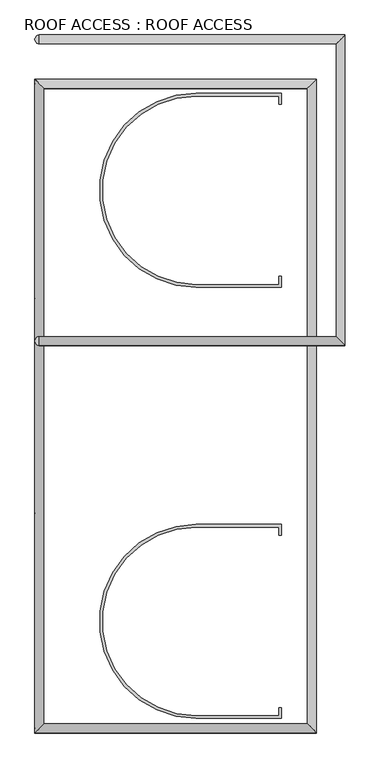
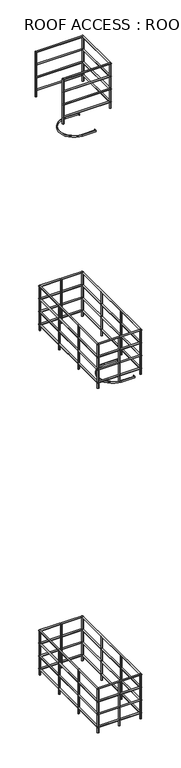
"""IFC4 building model written with IfcOpenShell, lengths in millimetres: proxy geometry, ROOF ACCESS : ROOF ACCESS."""

from ifc_helpers import new_model, si_unit, point, frame, frame_2d, origin, place, context, project, spatial, polyline, circle_curve, ellipse_curve, trimmed, segment, composite_curve, outline, extrude, source, transform, mapped, element, save
from ifc_brep_helpers import plane_surface, cylinder_surface, advanced_brep


def roof_access_roof_access_fe6596d5(model_context):
    return source(origin(), model_context, "Body", "SolidModel", [
        extrude(outline(composite_curve([segment(polyline([(254461.9207747, 259996.8980843), (254452.3957747, 259996.8980843), (254452.3957747, 260025.4730843), (254160.2957747, 260025.4730843)]), True, "CONTINUOUS"), segment(trimmed(circle_curve(frame_2d((254160.2957747, 259692.0980843)), 333.375), [point((254160.2957747, 260025.4730843))], [point((254160.2957747, 259358.7230843))], True, "CARTESIAN"), True, "CONTINUOUS"), segment(polyline([(254160.2957747, 259358.7230843), (254452.3957747, 259358.7230843), (254452.3957747, 259387.2980843), (254461.9207747, 259387.2980843), (254461.9207747, 259349.1980843), (254160.2957747, 259349.1980843)]), True, "CONTINUOUS"), segment(trimmed(circle_curve(frame_2d((254160.2957747, 259692.0980843)), 342.9), [point((254160.2957747, 259349.1980843))], [point((254160.2957747, 260034.9980843))], False, "CARTESIAN"), True, "CONTINUOUS"), segment(polyline([(254160.2957747, 260034.9980843), (254461.9207747, 260034.9980843), (254461.9207747, 259996.8980843)]), True, "CONTINUOUS")], self_intersect=False)), frame((0.0, 0.0, 24206.2), z_axis=(0.0, 0.0, 1.0), x_axis=(1.0, 0.0, 0.0)), (0.0, 0.0, 1.0), 38.1),
        extrude(outline(composite_curve([segment(polyline([(254461.9207747, 258472.8980843), (254452.3957747, 258472.8980843), (254452.3957747, 258501.4730843), (254160.2957747, 258501.4730843)]), True, "CONTINUOUS"), segment(trimmed(circle_curve(frame_2d((254160.2957747, 258168.0980843)), 333.375), [point((254160.2957747, 258501.4730843))], [point((254160.2957747, 257834.7230843))], True, "CARTESIAN"), True, "CONTINUOUS"), segment(polyline([(254160.2957747, 257834.7230843), (254452.3957747, 257834.7230843), (254452.3957747, 257863.2980843), (254461.9207747, 257863.2980843), (254461.9207747, 257825.1980843), (254160.2957747, 257825.1980843)]), True, "CONTINUOUS"), segment(trimmed(circle_curve(frame_2d((254160.2957747, 258168.0980843)), 342.9), [point((254160.2957747, 257825.1980843))], [point((254160.2957747, 258510.9980843))], False, "CARTESIAN"), True, "CONTINUOUS"), segment(polyline([(254160.2957747, 258510.9980843), (254461.9207747, 258510.9980843), (254461.9207747, 258472.8980843)]), True, "CONTINUOUS")], self_intersect=False)), frame((0.0, 0.0, 19253.2), z_axis=(0.0, 0.0, 1.0), x_axis=(1.0, 0.0, 0.0)), (0.0, 0.0, 1.0), 38.1),
        advanced_brep(
        [(253604.6707747, 259142.8230843, 24968.2), (253604.6707747, 259174.5730843, 24968.2), (254655.5957747, 260209.6230843, 24968.2), (254687.3457747, 260241.3730843, 24968.2), (253604.6707747, 260241.3730843, 24968.2), (253604.6707747, 260209.6230843, 24968.2), (254687.3457747, 259142.8230843, 24968.2), (254655.5957747, 259174.5730843, 24968.2)],
        [
            (0, 1, circle_curve(frame((253604.6707747, 259158.6980843, 24968.2), z_axis=(-1.0, 0.0, 0.0), x_axis=(0.0, 1.0, 0.0)), 15.875)),
            (1, 0, circle_curve(frame((253604.6707747, 259158.6980843, 24968.2), z_axis=(-1.0, 0.0, 0.0), x_axis=(0.0, 1.0, 0.0)), 15.875)),
            (2, 3, ellipse_curve(frame((254671.4707747, 260225.4980843, 24968.2), z_axis=(-0.7071067811865475, 0.7071067811865475, 0.0), x_axis=(0.7071067811865476, 0.7071067811865474, 0.0)), 22.4506403, 15.875)),
            (3, 4),
            (4, 5, circle_curve(frame((253604.6707747, 260225.4980843, 24968.2), z_axis=(1.0, 0.0, 0.0), x_axis=(0.0, -1.0, 0.0)), 15.875)),
            (5, 2),
            (3, 2, ellipse_curve(frame((254671.4707747, 260225.4980843, 24968.2), z_axis=(-0.7071067811865475, 0.7071067811865475, 0.0), x_axis=(0.7071067811865476, 0.7071067811865474, 0.0)), 22.4506403, 15.875)),
            (5, 4, circle_curve(frame((253604.6707747, 260225.4980843, 24968.2), z_axis=(1.0, 0.0, 0.0), x_axis=(0.0, -1.0, 0.0)), 15.875)),
            (0, 6),
            (6, 7, ellipse_curve(frame((254671.4707747, 259158.6980843, 24968.2), z_axis=(-0.7071067811865475, -0.7071067811865475, 0.0), x_axis=(-0.7071067811865476, 0.7071067811865474, 0.0)), 22.4506403, 15.875)),
            (7, 1),
            (7, 6, ellipse_curve(frame((254671.4707747, 259158.6980843, 24968.2), z_axis=(-0.7071067811865475, -0.7071067811865475, 0.0), x_axis=(-0.7071067811865476, 0.7071067811865474, 0.0)), 22.4506403, 15.875)),
            (6, 3),
            (2, 7),
        ],
        [
            plane_surface(frame((253604.6707747, 259158.6980843, 23917.275), z_axis=(-1.0, 0.0, 0.0), x_axis=(0.0, 0.0, 1.0))),
            cylinder_surface(frame((254671.4707747, 260225.4980843, 24968.2), z_axis=(1.0, 0.0, 0.0), x_axis=(0.0, -1.0, 0.0)), 15.875),
            plane_surface(frame((253604.6707747, 260225.4980843, 23917.275), z_axis=(-1.0, 0.0, 0.0), x_axis=(0.0, 0.0, 1.0))),
            cylinder_surface(frame((253604.6707747, 259158.6980843, 24968.2), z_axis=(-1.0, 0.0, 0.0), x_axis=(0.0, 1.0, 0.0)), 15.875),
            cylinder_surface(frame((254671.4707747, 259158.6980843, 24968.2), z_axis=(0.0, -1.0, 0.0), x_axis=(-1.0, 0.0, 0.0)), 15.875),
        ],
        [
            (0, [[1, 2]]),
            (1, [[3, 4, 5, 6]]),
            (1, [[7, -6, 8, -4]]),
            (2, [[-8, -5]]),
            (3, [[-1, 9, 10, 11]]),
            (3, [[-2, -11, 12, -9]]),
            (4, [[-10, 13, -3, 14]]),
            (4, [[-12, -14, -7, -13]]),
        ],
    ),
        advanced_brep(
        [(253604.6707747, 259142.8230843, 25273.0), (253604.6707747, 259174.5730843, 25273.0), (254655.5957747, 260209.6230843, 25273.0), (254687.3457747, 260241.3730843, 25273.0), (253604.6707747, 260241.3730843, 25273.0), (253604.6707747, 260209.6230843, 25273.0), (254687.3457747, 259142.8230843, 25273.0), (254655.5957747, 259174.5730843, 25273.0)],
        [
            (0, 1, circle_curve(frame((253604.6707747, 259158.6980843, 25273.0), z_axis=(-1.0, 0.0, 0.0), x_axis=(0.0, 1.0, 0.0)), 15.875)),
            (1, 0, circle_curve(frame((253604.6707747, 259158.6980843, 25273.0), z_axis=(-1.0, 0.0, 0.0), x_axis=(0.0, 1.0, 0.0)), 15.875)),
            (2, 3, ellipse_curve(frame((254671.4707747, 260225.4980843, 25273.0), z_axis=(-0.7071067811865475, 0.7071067811865475, 0.0), x_axis=(0.7071067811865476, 0.7071067811865474, 0.0)), 22.4506403, 15.875)),
            (3, 4),
            (4, 5, circle_curve(frame((253604.6707747, 260225.4980843, 25273.0), z_axis=(1.0, 0.0, 0.0), x_axis=(0.0, -1.0, 0.0)), 15.875)),
            (5, 2),
            (3, 2, ellipse_curve(frame((254671.4707747, 260225.4980843, 25273.0), z_axis=(-0.7071067811865475, 0.7071067811865475, 0.0), x_axis=(0.7071067811865476, 0.7071067811865474, 0.0)), 22.4506403, 15.875)),
            (5, 4, circle_curve(frame((253604.6707747, 260225.4980843, 25273.0), z_axis=(1.0, 0.0, 0.0), x_axis=(0.0, -1.0, 0.0)), 15.875)),
            (0, 6),
            (6, 7, ellipse_curve(frame((254671.4707747, 259158.6980843, 25273.0), z_axis=(-0.7071067811865475, -0.7071067811865475, 0.0), x_axis=(-0.7071067811865476, 0.7071067811865474, 0.0)), 22.4506403, 15.875)),
            (7, 1),
            (7, 6, ellipse_curve(frame((254671.4707747, 259158.6980843, 25273.0), z_axis=(-0.7071067811865475, -0.7071067811865475, 0.0), x_axis=(-0.7071067811865476, 0.7071067811865474, 0.0)), 22.4506403, 15.875)),
            (6, 3),
            (2, 7),
        ],
        [
            plane_surface(frame((253604.6707747, 259158.6980843, 24222.075), z_axis=(-1.0, 0.0, 0.0), x_axis=(0.0, 0.0, 1.0))),
            cylinder_surface(frame((254671.4707747, 260225.4980843, 25273.0), z_axis=(1.0, 0.0, 0.0), x_axis=(0.0, -1.0, 0.0)), 15.875),
            plane_surface(frame((253604.6707747, 260225.4980843, 24222.075), z_axis=(-1.0, 0.0, 0.0), x_axis=(0.0, 0.0, 1.0))),
            cylinder_surface(frame((253604.6707747, 259158.6980843, 25273.0), z_axis=(-1.0, 0.0, 0.0), x_axis=(0.0, 1.0, 0.0)), 15.875),
            cylinder_surface(frame((254671.4707747, 259158.6980843, 25273.0), z_axis=(0.0, -1.0, 0.0), x_axis=(-1.0, 0.0, 0.0)), 15.875),
        ],
        [
            (0, [[1, 2]]),
            (1, [[3, 4, 5, 6]]),
            (1, [[7, -6, 8, -4]]),
            (2, [[-8, -5]]),
            (3, [[-1, 9, 10, 11]]),
            (3, [[-2, -11, 12, -9]]),
            (4, [[-10, 13, -3, 14]]),
            (4, [[-12, -14, -7, -13]]),
        ],
    ),
        advanced_brep(
        [(253604.6707747, 259142.8230843, 25882.6), (253604.6707747, 259174.5730843, 25882.6), (254655.5957747, 260209.6230843, 25882.6), (254687.3457747, 260241.3730843, 25882.6), (253604.6707747, 260241.3730843, 25882.6), (253604.6707747, 260209.6230843, 25882.6), (254687.3457747, 259142.8230843, 25882.6), (254655.5957747, 259174.5730843, 25882.6)],
        [
            (0, 1, circle_curve(frame((253604.6707747, 259158.6980843, 25882.6), z_axis=(-1.0, 0.0, 0.0), x_axis=(0.0, 1.0, 0.0)), 15.875)),
            (1, 0, circle_curve(frame((253604.6707747, 259158.6980843, 25882.6), z_axis=(-1.0, 0.0, 0.0), x_axis=(0.0, 1.0, 0.0)), 15.875)),
            (2, 3, ellipse_curve(frame((254671.4707747, 260225.4980843, 25882.6), z_axis=(-0.7071067811865475, 0.7071067811865475, 0.0), x_axis=(0.7071067811865476, 0.7071067811865474, 0.0)), 22.4506403, 15.875)),
            (3, 4),
            (4, 5, circle_curve(frame((253604.6707747, 260225.4980843, 25882.6), z_axis=(1.0, 0.0, 0.0), x_axis=(0.0, -1.0, 0.0)), 15.875)),
            (5, 2),
            (3, 2, ellipse_curve(frame((254671.4707747, 260225.4980843, 25882.6), z_axis=(-0.7071067811865475, 0.7071067811865475, 0.0), x_axis=(0.7071067811865476, 0.7071067811865474, 0.0)), 22.4506403, 15.875)),
            (5, 4, circle_curve(frame((253604.6707747, 260225.4980843, 25882.6), z_axis=(1.0, 0.0, 0.0), x_axis=(0.0, -1.0, 0.0)), 15.875)),
            (0, 6),
            (6, 7, ellipse_curve(frame((254671.4707747, 259158.6980843, 25882.6), z_axis=(-0.7071067811865475, -0.7071067811865475, 0.0), x_axis=(-0.7071067811865476, 0.7071067811865474, 0.0)), 22.4506403, 15.875)),
            (7, 1),
            (7, 6, ellipse_curve(frame((254671.4707747, 259158.6980843, 25882.6), z_axis=(-0.7071067811865475, -0.7071067811865475, 0.0), x_axis=(-0.7071067811865476, 0.7071067811865474, 0.0)), 22.4506403, 15.875)),
            (6, 3),
            (2, 7),
        ],
        [
            plane_surface(frame((253604.6707747, 259158.6980843, 24831.675), z_axis=(-1.0, 0.0, 0.0), x_axis=(0.0, 0.0, 1.0))),
            cylinder_surface(frame((254671.4707747, 260225.4980843, 25882.6), z_axis=(1.0, 0.0, 0.0), x_axis=(0.0, -1.0, 0.0)), 15.875),
            plane_surface(frame((253604.6707747, 260225.4980843, 24831.675), z_axis=(-1.0, 0.0, 0.0), x_axis=(0.0, 0.0, 1.0))),
            cylinder_surface(frame((253604.6707747, 259158.6980843, 25882.6), z_axis=(-1.0, 0.0, 0.0), x_axis=(0.0, 1.0, 0.0)), 15.875),
            cylinder_surface(frame((254671.4707747, 259158.6980843, 25882.6), z_axis=(0.0, -1.0, 0.0), x_axis=(-1.0, 0.0, 0.0)), 15.875),
        ],
        [
            (0, [[1, 2]]),
            (1, [[3, 4, 5, 6]]),
            (1, [[7, -6, 8, -4]]),
            (2, [[-8, -5]]),
            (3, [[-1, 9, 10, 11]]),
            (3, [[-2, -11, 12, -9]]),
            (4, [[-10, 13, -3, 14]]),
            (4, [[-12, -14, -7, -13]]),
        ],
    ),
        advanced_brep(
        [(253604.6707747, 259142.8230843, 25577.8), (253604.6707747, 259174.5730843, 25577.8), (254655.5957747, 260209.6230843, 25577.8), (254687.3457747, 260241.3730843, 25577.8), (253604.6707747, 260241.3730843, 25577.8), (253604.6707747, 260209.6230843, 25577.8), (254687.3457747, 259142.8230843, 25577.8), (254655.5957747, 259174.5730843, 25577.8)],
        [
            (0, 1, circle_curve(frame((253604.6707747, 259158.6980843, 25577.8), z_axis=(-1.0, 0.0, 0.0), x_axis=(0.0, 1.0, 0.0)), 15.875)),
            (1, 0, circle_curve(frame((253604.6707747, 259158.6980843, 25577.8), z_axis=(-1.0, 0.0, 0.0), x_axis=(0.0, 1.0, 0.0)), 15.875)),
            (2, 3, ellipse_curve(frame((254671.4707747, 260225.4980843, 25577.8), z_axis=(-0.7071067811865475, 0.7071067811865475, 0.0), x_axis=(0.7071067811865476, 0.7071067811865474, 0.0)), 22.4506403, 15.875)),
            (3, 4),
            (4, 5, circle_curve(frame((253604.6707747, 260225.4980843, 25577.8), z_axis=(1.0, 0.0, 0.0), x_axis=(0.0, -1.0, 0.0)), 15.875)),
            (5, 2),
            (3, 2, ellipse_curve(frame((254671.4707747, 260225.4980843, 25577.8), z_axis=(-0.7071067811865475, 0.7071067811865475, 0.0), x_axis=(0.7071067811865476, 0.7071067811865474, 0.0)), 22.4506403, 15.875)),
            (5, 4, circle_curve(frame((253604.6707747, 260225.4980843, 25577.8), z_axis=(1.0, 0.0, 0.0), x_axis=(0.0, -1.0, 0.0)), 15.875)),
            (0, 6),
            (6, 7, ellipse_curve(frame((254671.4707747, 259158.6980843, 25577.8), z_axis=(-0.7071067811865475, -0.7071067811865475, 0.0), x_axis=(-0.7071067811865476, 0.7071067811865474, 0.0)), 22.4506403, 15.875)),
            (7, 1),
            (7, 6, ellipse_curve(frame((254671.4707747, 259158.6980843, 25577.8), z_axis=(-0.7071067811865475, -0.7071067811865475, 0.0), x_axis=(-0.7071067811865476, 0.7071067811865474, 0.0)), 22.4506403, 15.875)),
            (6, 3),
            (2, 7),
        ],
        [
            plane_surface(frame((253604.6707747, 259158.6980843, 24526.875), z_axis=(-1.0, 0.0, 0.0), x_axis=(0.0, 0.0, 1.0))),
            cylinder_surface(frame((254671.4707747, 260225.4980843, 25577.8), z_axis=(1.0, 0.0, 0.0), x_axis=(0.0, -1.0, 0.0)), 15.875),
            plane_surface(frame((253604.6707747, 260225.4980843, 24526.875), z_axis=(-1.0, 0.0, 0.0), x_axis=(0.0, 0.0, 1.0))),
            cylinder_surface(frame((253604.6707747, 259158.6980843, 25577.8), z_axis=(-1.0, 0.0, 0.0), x_axis=(0.0, 1.0, 0.0)), 15.875),
            cylinder_surface(frame((254671.4707747, 259158.6980843, 25577.8), z_axis=(0.0, -1.0, 0.0), x_axis=(-1.0, 0.0, 0.0)), 15.875),
        ],
        [
            (0, [[1, 2]]),
            (1, [[3, 4, 5, 6]]),
            (1, [[7, -6, 8, -4]]),
            (2, [[-8, -5]]),
            (3, [[-1, 9, 10, 11]]),
            (3, [[-2, -11, 12, -9]]),
            (4, [[-10, 13, -3, 14]]),
            (4, [[-12, -14, -7, -13]]),
        ],
    ),
        extrude(outline(composite_curve([segment(trimmed(circle_curve(frame_2d((253604.6707747, 260225.4980843)), 15.875), [point((253604.6707747, 260209.6230843))], [point((253604.6707747, 260241.3730843))], False, "CARTESIAN"), True, "CONTINUOUS"), segment(trimmed(circle_curve(frame_2d((253604.6707747, 260225.4980843)), 15.875), [point((253604.6707747, 260241.3730843))], [point((253604.6707747, 260209.6230843))], False, "CARTESIAN"), True, "CONTINUOUS")], self_intersect=False)), frame((0.0, 0.0, 24815.8), z_axis=(0.0, 0.0, 1.0), x_axis=(1.0, 0.0, 0.0)), (0.0, 0.0, 1.0), 1066.8),
        extrude(outline(composite_curve([segment(trimmed(circle_curve(frame_2d((253604.6707747, 259158.6980843)), 15.875), [point((253604.6707747, 259174.5730843))], [point((253604.6707747, 259142.8230843))], False, "CARTESIAN"), True, "CONTINUOUS"), segment(trimmed(circle_curve(frame_2d((253604.6707747, 259158.6980843)), 15.875), [point((253604.6707747, 259142.8230843))], [point((253604.6707747, 259174.5730843))], False, "CARTESIAN"), True, "CONTINUOUS")], self_intersect=False)), frame((0.0, 0.0, 24815.8), z_axis=(0.0, 0.0, 1.0), x_axis=(1.0, 0.0, 0.0)), (0.0, 0.0, 1.0), 1066.8),
        extrude(outline(composite_curve([segment(trimmed(circle_curve(frame_2d((254671.4707747, 260225.4980843)), 15.875), [point((254671.4707747, 260209.6230843))], [point((254671.4707747, 260241.3730843))], False, "CARTESIAN"), True, "CONTINUOUS"), segment(trimmed(circle_curve(frame_2d((254671.4707747, 260225.4980843)), 15.875), [point((254671.4707747, 260241.3730843))], [point((254671.4707747, 260209.6230843))], False, "CARTESIAN"), True, "CONTINUOUS")], self_intersect=False)), frame((0.0, 0.0, 24815.8), z_axis=(0.0, 0.0, 1.0), x_axis=(1.0, 0.0, 0.0)), (0.0, 0.0, 1.0), 1066.8),
        extrude(outline(composite_curve([segment(trimmed(circle_curve(frame_2d((254671.4707747, 259158.6980843)), 15.875), [point((254671.4707747, 259174.5730843))], [point((254671.4707747, 259142.8230843))], False, "CARTESIAN"), True, "CONTINUOUS"), segment(trimmed(circle_curve(frame_2d((254671.4707747, 259158.6980843)), 15.875), [point((254671.4707747, 259142.8230843))], [point((254671.4707747, 259174.5730843))], False, "CARTESIAN"), True, "CONTINUOUS")], self_intersect=False)), frame((0.0, 0.0, 24815.8), z_axis=(0.0, 0.0, 1.0), x_axis=(1.0, 0.0, 0.0)), (0.0, 0.0, 1.0), 1066.8),
        extrude(outline(composite_curve([segment(trimmed(circle_curve(frame_2d((253604.6707747, 260069.9230843)), 15.875), [point((253604.6707747, 260054.0480843))], [point((253604.6707747, 260085.7980843))], False, "CARTESIAN"), True, "CONTINUOUS"), segment(trimmed(circle_curve(frame_2d((253604.6707747, 260069.9230843)), 15.875), [point((253604.6707747, 260085.7980843))], [point((253604.6707747, 260054.0480843))], False, "CARTESIAN"), True, "CONTINUOUS")], self_intersect=False)), frame((0.0, 0.0, 19329.4), z_axis=(0.0, 0.0, 1.0), x_axis=(1.0, 0.0, 0.0)), (0.0, 0.0, 1.0), 1050.925),
        extrude(outline(composite_curve([segment(trimmed(circle_curve(frame_2d((254569.8707747, 260069.9230843)), 15.875), [point((254569.8707747, 260054.0480843))], [point((254569.8707747, 260085.7980843))], False, "CARTESIAN"), True, "CONTINUOUS"), segment(trimmed(circle_curve(frame_2d((254569.8707747, 260069.9230843)), 15.875), [point((254569.8707747, 260085.7980843))], [point((254569.8707747, 260054.0480843))], False, "CARTESIAN"), True, "CONTINUOUS")], self_intersect=False)), frame((0.0, 0.0, 19329.4), z_axis=(0.0, 0.0, 1.0), x_axis=(1.0, 0.0, 0.0)), (0.0, 0.0, 1.0), 1050.925),
        extrude(outline(composite_curve([segment(trimmed(circle_curve(frame_2d((254087.2707747, 260069.9230843)), 15.875), [point((254087.2707747, 260054.0480843))], [point((254087.2707747, 260085.7980843))], False, "CARTESIAN"), True, "CONTINUOUS"), segment(trimmed(circle_curve(frame_2d((254087.2707747, 260069.9230843)), 15.875), [point((254087.2707747, 260085.7980843))], [point((254087.2707747, 260054.0480843))], False, "CARTESIAN"), True, "CONTINUOUS")], self_intersect=False)), frame((0.0, 0.0, 19329.4), z_axis=(0.0, 0.0, 1.0), x_axis=(1.0, 0.0, 0.0)), (0.0, 0.0, 1.0), 1050.925),
        extrude(outline(composite_curve([segment(trimmed(circle_curve(frame_2d((253604.6707747, 257790.2730843)), 15.875), [point((253604.6707747, 257806.1480843))], [point((253604.6707747, 257774.3980843))], False, "CARTESIAN"), True, "CONTINUOUS"), segment(trimmed(circle_curve(frame_2d((253604.6707747, 257790.2730843)), 15.875), [point((253604.6707747, 257774.3980843))], [point((253604.6707747, 257806.1480843))], False, "CARTESIAN"), True, "CONTINUOUS")], self_intersect=False)), frame((0.0, 0.0, 19329.4), z_axis=(0.0, 0.0, 1.0), x_axis=(1.0, 0.0, 0.0)), (0.0, 0.0, 1.0), 1050.925),
        extrude(outline(composite_curve([segment(trimmed(circle_curve(frame_2d((254569.8707747, 257790.2730843)), 15.875), [point((254569.8707747, 257806.1480843))], [point((254569.8707747, 257774.3980843))], False, "CARTESIAN"), True, "CONTINUOUS"), segment(trimmed(circle_curve(frame_2d((254569.8707747, 257790.2730843)), 15.875), [point((254569.8707747, 257774.3980843))], [point((254569.8707747, 257806.1480843))], False, "CARTESIAN"), True, "CONTINUOUS")], self_intersect=False)), frame((0.0, 0.0, 19329.4), z_axis=(0.0, 0.0, 1.0), x_axis=(1.0, 0.0, 0.0)), (0.0, 0.0, 1.0), 1050.925),
        extrude(outline(composite_curve([segment(trimmed(circle_curve(frame_2d((254087.2707747, 257790.2730843)), 15.875), [point((254087.2707747, 257806.1480843))], [point((254087.2707747, 257774.3980843))], False, "CARTESIAN"), True, "CONTINUOUS"), segment(trimmed(circle_curve(frame_2d((254087.2707747, 257790.2730843)), 15.875), [point((254087.2707747, 257774.3980843))], [point((254087.2707747, 257806.1480843))], False, "CARTESIAN"), True, "CONTINUOUS")], self_intersect=False)), frame((0.0, 0.0, 19329.4), z_axis=(0.0, 0.0, 1.0), x_axis=(1.0, 0.0, 0.0)), (0.0, 0.0, 1.0), 1050.925),
        extrude(outline(composite_curve([segment(trimmed(circle_curve(frame_2d((253604.6707747, 258550.1564177)), 15.875), [point((253604.6707747, 258534.2814177))], [point((253604.6707747, 258566.0314177))], False, "CARTESIAN"), True, "CONTINUOUS"), segment(trimmed(circle_curve(frame_2d((253604.6707747, 258550.1564177)), 15.875), [point((253604.6707747, 258566.0314177))], [point((253604.6707747, 258534.2814177))], False, "CARTESIAN"), True, "CONTINUOUS")], self_intersect=False)), frame((0.0, 0.0, 19329.4), z_axis=(0.0, 0.0, 1.0), x_axis=(1.0, 0.0, 0.0)), (0.0, 0.0, 1.0), 1050.925),
        extrude(outline(composite_curve([segment(trimmed(circle_curve(frame_2d((253604.6707747, 259310.039751)), 15.875), [point((253604.6707747, 259294.164751))], [point((253604.6707747, 259325.914751))], False, "CARTESIAN"), True, "CONTINUOUS"), segment(trimmed(circle_curve(frame_2d((253604.6707747, 259310.039751)), 15.875), [point((253604.6707747, 259325.914751))], [point((253604.6707747, 259294.164751))], False, "CARTESIAN"), True, "CONTINUOUS")], self_intersect=False)), frame((0.0, 0.0, 19329.4), z_axis=(0.0, 0.0, 1.0), x_axis=(1.0, 0.0, 0.0)), (0.0, 0.0, 1.0), 1050.925),
        extrude(outline(composite_curve([segment(trimmed(circle_curve(frame_2d((254569.8707747, 258550.1564177)), 15.875), [point((254569.8707747, 258534.2814177))], [point((254569.8707747, 258566.0314177))], False, "CARTESIAN"), True, "CONTINUOUS"), segment(trimmed(circle_curve(frame_2d((254569.8707747, 258550.1564177)), 15.875), [point((254569.8707747, 258566.0314177))], [point((254569.8707747, 258534.2814177))], False, "CARTESIAN"), True, "CONTINUOUS")], self_intersect=False)), frame((0.0, 0.0, 19329.4), z_axis=(0.0, 0.0, 1.0), x_axis=(1.0, 0.0, 0.0)), (0.0, 0.0, 1.0), 1050.925),
        extrude(outline(composite_curve([segment(trimmed(circle_curve(frame_2d((254569.8707747, 259310.039751)), 15.875), [point((254569.8707747, 259294.164751))], [point((254569.8707747, 259325.914751))], False, "CARTESIAN"), True, "CONTINUOUS"), segment(trimmed(circle_curve(frame_2d((254569.8707747, 259310.039751)), 15.875), [point((254569.8707747, 259325.914751))], [point((254569.8707747, 259294.164751))], False, "CARTESIAN"), True, "CONTINUOUS")], self_intersect=False)), frame((0.0, 0.0, 19329.4), z_axis=(0.0, 0.0, 1.0), x_axis=(1.0, 0.0, 0.0)), (0.0, 0.0, 1.0), 1050.925),
        advanced_brep(
        [(254553.9957747, 260054.0480843, 20380.325), (254585.7457747, 260085.7980843, 20380.325), (253588.7957747, 260085.7980843, 20380.325), (253620.5457747, 260054.0480843, 20380.325), (253588.7957747, 257774.3980843, 20380.325), (253620.5457747, 257806.1480843, 20380.325), (254585.7457747, 257774.3980843, 20380.325), (254553.9957747, 257806.1480843, 20380.325)],
        [
            (0, 1, ellipse_curve(frame((254569.8707747, 260069.9230843, 20380.325), z_axis=(-0.7071067811865475, 0.7071067811865475, 0.0), x_axis=(0.7071067811865476, 0.7071067811865474, 0.0)), 22.4506403, 15.875)),
            (1, 2),
            (2, 3, ellipse_curve(frame((253604.6707747, 260069.9230843, 20380.325), z_axis=(0.7071067811865475, 0.7071067811865475, 0.0), x_axis=(0.7071067811865476, -0.7071067811865474, 0.0)), 22.4506403, 15.875)),
            (3, 0),
            (1, 0, ellipse_curve(frame((254569.8707747, 260069.9230843, 20380.325), z_axis=(-0.7071067811865475, 0.7071067811865475, 0.0), x_axis=(0.7071067811865476, 0.7071067811865474, 0.0)), 22.4506403, 15.875)),
            (3, 2, ellipse_curve(frame((253604.6707747, 260069.9230843, 20380.325), z_axis=(0.7071067811865475, 0.7071067811865475, 0.0), x_axis=(0.7071067811865476, -0.7071067811865474, 0.0)), 22.4506403, 15.875)),
            (2, 4),
            (4, 5, ellipse_curve(frame((253604.6707747, 257790.2730843, 20380.325), z_axis=(-0.7071067811865475, 0.7071067811865475, 0.0), x_axis=(0.7071067811865474, 0.7071067811865476, 0.0)), 22.4506403, 15.875)),
            (5, 3),
            (5, 4, ellipse_curve(frame((253604.6707747, 257790.2730843, 20380.325), z_axis=(-0.7071067811865475, 0.7071067811865475, 0.0), x_axis=(0.7071067811865474, 0.7071067811865476, 0.0)), 22.4506403, 15.875)),
            (4, 6),
            (6, 7, ellipse_curve(frame((254569.8707747, 257790.2730843, 20380.325), z_axis=(-0.7071067811865475, -0.7071067811865475, 0.0), x_axis=(-0.7071067811865476, 0.7071067811865474, 0.0)), 22.4506403, 15.875)),
            (7, 5),
            (7, 6, ellipse_curve(frame((254569.8707747, 257790.2730843, 20380.325), z_axis=(-0.7071067811865475, -0.7071067811865475, 0.0), x_axis=(-0.7071067811865476, 0.7071067811865474, 0.0)), 22.4506403, 15.875)),
            (6, 1),
            (0, 7),
        ],
        [
            cylinder_surface(frame((254569.8707747, 260069.9230843, 20380.325), z_axis=(1.0, 0.0, 0.0), x_axis=(0.0, -1.0, 0.0)), 15.875),
            cylinder_surface(frame((253604.6707747, 260069.9230843, 20380.325), z_axis=(0.0, 1.0, 0.0), x_axis=(1.0, 0.0, 0.0)), 15.875),
            cylinder_surface(frame((253604.6707747, 257790.2730843, 20380.325), z_axis=(-1.0, 0.0, 0.0), x_axis=(0.0, 1.0, 0.0)), 15.875),
            cylinder_surface(frame((254569.8707747, 257790.2730843, 20380.325), z_axis=(0.0, -1.0, 0.0), x_axis=(-1.0, 0.0, 0.0)), 15.875),
        ],
        [
            (0, [[1, 2, 3, 4]]),
            (0, [[5, -4, 6, -2]]),
            (1, [[-3, 7, 8, 9]]),
            (1, [[-6, -9, 10, -7]]),
            (2, [[-8, 11, 12, 13]]),
            (2, [[-10, -13, 14, -11]]),
            (3, [[-12, 15, -1, 16]]),
            (3, [[-14, -16, -5, -15]]),
        ],
    ),
        advanced_brep(
        [(254553.9957747, 260054.0480843, 20075.525), (254585.7457747, 260085.7980843, 20075.525), (253588.7957747, 260085.7980843, 20075.525), (253620.5457747, 260054.0480843, 20075.525), (253588.7957747, 257774.3980843, 20075.525), (253620.5457747, 257806.1480843, 20075.525), (254585.7457747, 257774.3980843, 20075.525), (254553.9957747, 257806.1480843, 20075.525)],
        [
            (0, 1, ellipse_curve(frame((254569.8707747, 260069.9230843, 20075.525), z_axis=(-0.7071067811865475, 0.7071067811865475, 0.0), x_axis=(0.7071067811865476, 0.7071067811865474, 0.0)), 22.4506403, 15.875)),
            (1, 2),
            (2, 3, ellipse_curve(frame((253604.6707747, 260069.9230843, 20075.525), z_axis=(0.7071067811865475, 0.7071067811865475, 0.0), x_axis=(0.7071067811865476, -0.7071067811865474, 0.0)), 22.4506403, 15.875)),
            (3, 0),
            (1, 0, ellipse_curve(frame((254569.8707747, 260069.9230843, 20075.525), z_axis=(-0.7071067811865475, 0.7071067811865475, 0.0), x_axis=(0.7071067811865476, 0.7071067811865474, 0.0)), 22.4506403, 15.875)),
            (3, 2, ellipse_curve(frame((253604.6707747, 260069.9230843, 20075.525), z_axis=(0.7071067811865475, 0.7071067811865475, 0.0), x_axis=(0.7071067811865476, -0.7071067811865474, 0.0)), 22.4506403, 15.875)),
            (2, 4),
            (4, 5, ellipse_curve(frame((253604.6707747, 257790.2730843, 20075.525), z_axis=(-0.7071067811865475, 0.7071067811865475, 0.0), x_axis=(0.7071067811865474, 0.7071067811865476, 0.0)), 22.4506403, 15.875)),
            (5, 3),
            (5, 4, ellipse_curve(frame((253604.6707747, 257790.2730843, 20075.525), z_axis=(-0.7071067811865475, 0.7071067811865475, 0.0), x_axis=(0.7071067811865474, 0.7071067811865476, 0.0)), 22.4506403, 15.875)),
            (4, 6),
            (6, 7, ellipse_curve(frame((254569.8707747, 257790.2730843, 20075.525), z_axis=(-0.7071067811865475, -0.7071067811865475, 0.0), x_axis=(-0.7071067811865476, 0.7071067811865474, 0.0)), 22.4506403, 15.875)),
            (7, 5),
            (7, 6, ellipse_curve(frame((254569.8707747, 257790.2730843, 20075.525), z_axis=(-0.7071067811865475, -0.7071067811865475, 0.0), x_axis=(-0.7071067811865476, 0.7071067811865474, 0.0)), 22.4506403, 15.875)),
            (6, 1),
            (0, 7),
        ],
        [
            cylinder_surface(frame((254569.8707747, 260069.9230843, 20075.525), z_axis=(1.0, 0.0, 0.0), x_axis=(0.0, -1.0, 0.0)), 15.875),
            cylinder_surface(frame((253604.6707747, 260069.9230843, 20075.525), z_axis=(0.0, 1.0, 0.0), x_axis=(1.0, 0.0, 0.0)), 15.875),
            cylinder_surface(frame((253604.6707747, 257790.2730843, 20075.525), z_axis=(-1.0, 0.0, 0.0), x_axis=(0.0, 1.0, 0.0)), 15.875),
            cylinder_surface(frame((254569.8707747, 257790.2730843, 20075.525), z_axis=(0.0, -1.0, 0.0), x_axis=(-1.0, 0.0, 0.0)), 15.875),
        ],
        [
            (0, [[1, 2, 3, 4]]),
            (0, [[5, -4, 6, -2]]),
            (1, [[-3, 7, 8, 9]]),
            (1, [[-6, -9, 10, -7]]),
            (2, [[-8, 11, 12, 13]]),
            (2, [[-10, -13, 14, -11]]),
            (3, [[-12, 15, -1, 16]]),
            (3, [[-14, -16, -5, -15]]),
        ],
    ),
        advanced_brep(
        [(254553.9957747, 260054.0480843, 19770.725), (254585.7457747, 260085.7980843, 19770.725), (253588.7957747, 260085.7980843, 19770.725), (253620.5457747, 260054.0480843, 19770.725), (253588.7957747, 257774.3980843, 19770.725), (253620.5457747, 257806.1480843, 19770.725), (254585.7457747, 257774.3980843, 19770.725), (254553.9957747, 257806.1480843, 19770.725)],
        [
            (0, 1, ellipse_curve(frame((254569.8707747, 260069.9230843, 19770.725), z_axis=(-0.7071067811865475, 0.7071067811865475, 0.0), x_axis=(0.7071067811865476, 0.7071067811865474, 0.0)), 22.4506403, 15.875)),
            (1, 2),
            (2, 3, ellipse_curve(frame((253604.6707747, 260069.9230843, 19770.725), z_axis=(0.7071067811865475, 0.7071067811865475, 0.0), x_axis=(0.7071067811865476, -0.7071067811865474, 0.0)), 22.4506403, 15.875)),
            (3, 0),
            (1, 0, ellipse_curve(frame((254569.8707747, 260069.9230843, 19770.725), z_axis=(-0.7071067811865475, 0.7071067811865475, 0.0), x_axis=(0.7071067811865476, 0.7071067811865474, 0.0)), 22.4506403, 15.875)),
            (3, 2, ellipse_curve(frame((253604.6707747, 260069.9230843, 19770.725), z_axis=(0.7071067811865475, 0.7071067811865475, 0.0), x_axis=(0.7071067811865476, -0.7071067811865474, 0.0)), 22.4506403, 15.875)),
            (2, 4),
            (4, 5, ellipse_curve(frame((253604.6707747, 257790.2730843, 19770.725), z_axis=(-0.7071067811865475, 0.7071067811865475, 0.0), x_axis=(0.7071067811865474, 0.7071067811865476, 0.0)), 22.4506403, 15.875)),
            (5, 3),
            (5, 4, ellipse_curve(frame((253604.6707747, 257790.2730843, 19770.725), z_axis=(-0.7071067811865475, 0.7071067811865475, 0.0), x_axis=(0.7071067811865474, 0.7071067811865476, 0.0)), 22.4506403, 15.875)),
            (4, 6),
            (6, 7, ellipse_curve(frame((254569.8707747, 257790.2730843, 19770.725), z_axis=(-0.7071067811865475, -0.7071067811865475, 0.0), x_axis=(-0.7071067811865476, 0.7071067811865474, 0.0)), 22.4506403, 15.875)),
            (7, 5),
            (7, 6, ellipse_curve(frame((254569.8707747, 257790.2730843, 19770.725), z_axis=(-0.7071067811865475, -0.7071067811865475, 0.0), x_axis=(-0.7071067811865476, 0.7071067811865474, 0.0)), 22.4506403, 15.875)),
            (6, 1),
            (0, 7),
        ],
        [
            cylinder_surface(frame((254569.8707747, 260069.9230843, 19770.725), z_axis=(1.0, 0.0, 0.0), x_axis=(0.0, -1.0, 0.0)), 15.875),
            cylinder_surface(frame((253604.6707747, 260069.9230843, 19770.725), z_axis=(0.0, 1.0, 0.0), x_axis=(1.0, 0.0, 0.0)), 15.875),
            cylinder_surface(frame((253604.6707747, 257790.2730843, 19770.725), z_axis=(-1.0, 0.0, 0.0), x_axis=(0.0, 1.0, 0.0)), 15.875),
            cylinder_surface(frame((254569.8707747, 257790.2730843, 19770.725), z_axis=(0.0, -1.0, 0.0), x_axis=(-1.0, 0.0, 0.0)), 15.875),
        ],
        [
            (0, [[1, 2, 3, 4]]),
            (0, [[5, -4, 6, -2]]),
            (1, [[-3, 7, 8, 9]]),
            (1, [[-6, -9, 10, -7]]),
            (2, [[-8, 11, 12, 13]]),
            (2, [[-10, -13, 14, -11]]),
            (3, [[-12, 15, -1, 16]]),
            (3, [[-14, -16, -5, -15]]),
        ],
    ),
        advanced_brep(
        [(254553.9957747, 260054.0480843, 19465.925), (254585.7457747, 260085.7980843, 19465.925), (253588.7957747, 260085.7980843, 19465.925), (253620.5457747, 260054.0480843, 19465.925), (253588.7957747, 257774.3980843, 19465.925), (253620.5457747, 257806.1480843, 19465.925), (254585.7457747, 257774.3980843, 19465.925), (254553.9957747, 257806.1480843, 19465.925)],
        [
            (0, 1, ellipse_curve(frame((254569.8707747, 260069.9230843, 19465.925), z_axis=(-0.7071067811865475, 0.7071067811865475, 0.0), x_axis=(0.7071067811865476, 0.7071067811865474, 0.0)), 22.4506403, 15.875)),
            (1, 2),
            (2, 3, ellipse_curve(frame((253604.6707747, 260069.9230843, 19465.925), z_axis=(0.7071067811865475, 0.7071067811865475, 0.0), x_axis=(0.7071067811865476, -0.7071067811865474, 0.0)), 22.4506403, 15.875)),
            (3, 0),
            (1, 0, ellipse_curve(frame((254569.8707747, 260069.9230843, 19465.925), z_axis=(-0.7071067811865475, 0.7071067811865475, 0.0), x_axis=(0.7071067811865476, 0.7071067811865474, 0.0)), 22.4506403, 15.875)),
            (3, 2, ellipse_curve(frame((253604.6707747, 260069.9230843, 19465.925), z_axis=(0.7071067811865475, 0.7071067811865475, 0.0), x_axis=(0.7071067811865476, -0.7071067811865474, 0.0)), 22.4506403, 15.875)),
            (2, 4),
            (4, 5, ellipse_curve(frame((253604.6707747, 257790.2730843, 19465.925), z_axis=(-0.7071067811865475, 0.7071067811865475, 0.0), x_axis=(0.7071067811865474, 0.7071067811865476, 0.0)), 22.4506403, 15.875)),
            (5, 3),
            (5, 4, ellipse_curve(frame((253604.6707747, 257790.2730843, 19465.925), z_axis=(-0.7071067811865475, 0.7071067811865475, 0.0), x_axis=(0.7071067811865474, 0.7071067811865476, 0.0)), 22.4506403, 15.875)),
            (4, 6),
            (6, 7, ellipse_curve(frame((254569.8707747, 257790.2730843, 19465.925), z_axis=(-0.7071067811865475, -0.7071067811865475, 0.0), x_axis=(-0.7071067811865476, 0.7071067811865474, 0.0)), 22.4506403, 15.875)),
            (7, 5),
            (7, 6, ellipse_curve(frame((254569.8707747, 257790.2730843, 19465.925), z_axis=(-0.7071067811865475, -0.7071067811865475, 0.0), x_axis=(-0.7071067811865476, 0.7071067811865474, 0.0)), 22.4506403, 15.875)),
            (6, 1),
            (0, 7),
        ],
        [
            cylinder_surface(frame((254569.8707747, 260069.9230843, 19465.925), z_axis=(1.0, 0.0, 0.0), x_axis=(0.0, -1.0, 0.0)), 15.875),
            cylinder_surface(frame((253604.6707747, 260069.9230843, 19465.925), z_axis=(0.0, 1.0, 0.0), x_axis=(1.0, 0.0, 0.0)), 15.875),
            cylinder_surface(frame((253604.6707747, 257790.2730843, 19465.925), z_axis=(-1.0, 0.0, 0.0), x_axis=(0.0, 1.0, 0.0)), 15.875),
            cylinder_surface(frame((254569.8707747, 257790.2730843, 19465.925), z_axis=(0.0, -1.0, 0.0), x_axis=(-1.0, 0.0, 0.0)), 15.875),
        ],
        [
            (0, [[1, 2, 3, 4]]),
            (0, [[5, -4, 6, -2]]),
            (1, [[-3, 7, 8, 9]]),
            (1, [[-6, -9, 10, -7]]),
            (2, [[-8, 11, 12, 13]]),
            (2, [[-10, -13, 14, -11]]),
            (3, [[-12, 15, -1, 16]]),
            (3, [[-14, -16, -5, -15]]),
        ],
    ),
        advanced_brep(
        [(254553.9957747, 260054.0480843, 12150.725), (254585.7457747, 260085.7980843, 12150.725), (253588.7957747, 260085.7980843, 12150.725), (253620.5457747, 260054.0480843, 12150.725), (253588.7957747, 257774.3980843, 12150.725), (253620.5457747, 257806.1480843, 12150.725), (254585.7457747, 257774.3980843, 12150.725), (254553.9957747, 257806.1480843, 12150.725)],
        [
            (0, 1, ellipse_curve(frame((254569.8707747, 260069.9230843, 12150.725), z_axis=(-0.7071067811865475, 0.7071067811865475, 0.0), x_axis=(0.7071067811865476, 0.7071067811865474, 0.0)), 22.4506403, 15.875)),
            (1, 2),
            (2, 3, ellipse_curve(frame((253604.6707747, 260069.9230843, 12150.725), z_axis=(0.7071067811865475, 0.7071067811865475, 0.0), x_axis=(0.7071067811865476, -0.7071067811865474, 0.0)), 22.4506403, 15.875)),
            (3, 0),
            (1, 0, ellipse_curve(frame((254569.8707747, 260069.9230843, 12150.725), z_axis=(-0.7071067811865475, 0.7071067811865475, 0.0), x_axis=(0.7071067811865476, 0.7071067811865474, 0.0)), 22.4506403, 15.875)),
            (3, 2, ellipse_curve(frame((253604.6707747, 260069.9230843, 12150.725), z_axis=(0.7071067811865475, 0.7071067811865475, 0.0), x_axis=(0.7071067811865476, -0.7071067811865474, 0.0)), 22.4506403, 15.875)),
            (2, 4),
            (4, 5, ellipse_curve(frame((253604.6707747, 257790.2730843, 12150.725), z_axis=(-0.7071067811865475, 0.7071067811865475, 0.0), x_axis=(0.7071067811865474, 0.7071067811865476, 0.0)), 22.4506403, 15.875)),
            (5, 3),
            (5, 4, ellipse_curve(frame((253604.6707747, 257790.2730843, 12150.725), z_axis=(-0.7071067811865475, 0.7071067811865475, 0.0), x_axis=(0.7071067811865474, 0.7071067811865476, 0.0)), 22.4506403, 15.875)),
            (4, 6),
            (6, 7, ellipse_curve(frame((254569.8707747, 257790.2730843, 12150.725), z_axis=(-0.7071067811865475, -0.7071067811865475, 0.0), x_axis=(-0.7071067811865476, 0.7071067811865474, 0.0)), 22.4506403, 15.875)),
            (7, 5),
            (7, 6, ellipse_curve(frame((254569.8707747, 257790.2730843, 12150.725), z_axis=(-0.7071067811865475, -0.7071067811865475, 0.0), x_axis=(-0.7071067811865476, 0.7071067811865474, 0.0)), 22.4506403, 15.875)),
            (6, 1),
            (0, 7),
        ],
        [
            cylinder_surface(frame((254569.8707747, 260069.9230843, 12150.725), z_axis=(1.0, 0.0, 0.0), x_axis=(0.0, -1.0, 0.0)), 15.875),
            cylinder_surface(frame((253604.6707747, 260069.9230843, 12150.725), z_axis=(0.0, 1.0, 0.0), x_axis=(1.0, 0.0, 0.0)), 15.875),
            cylinder_surface(frame((253604.6707747, 257790.2730843, 12150.725), z_axis=(-1.0, 0.0, 0.0), x_axis=(0.0, 1.0, 0.0)), 15.875),
            cylinder_surface(frame((254569.8707747, 257790.2730843, 12150.725), z_axis=(0.0, -1.0, 0.0), x_axis=(-1.0, 0.0, 0.0)), 15.875),
        ],
        [
            (0, [[1, 2, 3, 4]]),
            (0, [[5, -4, 6, -2]]),
            (1, [[-3, 7, 8, 9]]),
            (1, [[-6, -9, 10, -7]]),
            (2, [[-8, 11, 12, 13]]),
            (2, [[-10, -13, 14, -11]]),
            (3, [[-12, 15, -1, 16]]),
            (3, [[-14, -16, -5, -15]]),
        ],
    ),
        advanced_brep(
        [(254553.9957747, 260054.0480843, 11845.925), (254585.7457747, 260085.7980843, 11845.925), (253588.7957747, 260085.7980843, 11845.925), (253620.5457747, 260054.0480843, 11845.925), (253588.7957747, 257774.3980843, 11845.925), (253620.5457747, 257806.1480843, 11845.925), (254585.7457747, 257774.3980843, 11845.925), (254553.9957747, 257806.1480843, 11845.925)],
        [
            (0, 1, ellipse_curve(frame((254569.8707747, 260069.9230843, 11845.925), z_axis=(-0.7071067811865475, 0.7071067811865475, 0.0), x_axis=(0.7071067811865476, 0.7071067811865474, 0.0)), 22.4506403, 15.875)),
            (1, 2),
            (2, 3, ellipse_curve(frame((253604.6707747, 260069.9230843, 11845.925), z_axis=(0.7071067811865475, 0.7071067811865475, 0.0), x_axis=(0.7071067811865476, -0.7071067811865474, 0.0)), 22.4506403, 15.875)),
            (3, 0),
            (1, 0, ellipse_curve(frame((254569.8707747, 260069.9230843, 11845.925), z_axis=(-0.7071067811865475, 0.7071067811865475, 0.0), x_axis=(0.7071067811865476, 0.7071067811865474, 0.0)), 22.4506403, 15.875)),
            (3, 2, ellipse_curve(frame((253604.6707747, 260069.9230843, 11845.925), z_axis=(0.7071067811865475, 0.7071067811865475, 0.0), x_axis=(0.7071067811865476, -0.7071067811865474, 0.0)), 22.4506403, 15.875)),
            (2, 4),
            (4, 5, ellipse_curve(frame((253604.6707747, 257790.2730843, 11845.925), z_axis=(-0.7071067811865475, 0.7071067811865475, 0.0), x_axis=(0.7071067811865474, 0.7071067811865476, 0.0)), 22.4506403, 15.875)),
            (5, 3),
            (5, 4, ellipse_curve(frame((253604.6707747, 257790.2730843, 11845.925), z_axis=(-0.7071067811865475, 0.7071067811865475, 0.0), x_axis=(0.7071067811865474, 0.7071067811865476, 0.0)), 22.4506403, 15.875)),
            (4, 6),
            (6, 7, ellipse_curve(frame((254569.8707747, 257790.2730843, 11845.925), z_axis=(-0.7071067811865475, -0.7071067811865475, 0.0), x_axis=(-0.7071067811865476, 0.7071067811865474, 0.0)), 22.4506403, 15.875)),
            (7, 5),
            (7, 6, ellipse_curve(frame((254569.8707747, 257790.2730843, 11845.925), z_axis=(-0.7071067811865475, -0.7071067811865475, 0.0), x_axis=(-0.7071067811865476, 0.7071067811865474, 0.0)), 22.4506403, 15.875)),
            (6, 1),
            (0, 7),
        ],
        [
            cylinder_surface(frame((254569.8707747, 260069.9230843, 11845.925), z_axis=(1.0, 0.0, 0.0), x_axis=(0.0, -1.0, 0.0)), 15.875),
            cylinder_surface(frame((253604.6707747, 260069.9230843, 11845.925), z_axis=(0.0, 1.0, 0.0), x_axis=(1.0, 0.0, 0.0)), 15.875),
            cylinder_surface(frame((253604.6707747, 257790.2730843, 11845.925), z_axis=(-1.0, 0.0, 0.0), x_axis=(0.0, 1.0, 0.0)), 15.875),
            cylinder_surface(frame((254569.8707747, 257790.2730843, 11845.925), z_axis=(0.0, -1.0, 0.0), x_axis=(-1.0, 0.0, 0.0)), 15.875),
        ],
        [
            (0, [[1, 2, 3, 4]]),
            (0, [[5, -4, 6, -2]]),
            (1, [[-3, 7, 8, 9]]),
            (1, [[-6, -9, 10, -7]]),
            (2, [[-8, 11, 12, 13]]),
            (2, [[-10, -13, 14, -11]]),
            (3, [[-12, 15, -1, 16]]),
            (3, [[-14, -16, -5, -15]]),
        ],
    ),
        advanced_brep(
        [(254553.9957747, 260054.0480843, 11541.125), (254585.7457747, 260085.7980843, 11541.125), (253588.7957747, 260085.7980843, 11541.125), (253620.5457747, 260054.0480843, 11541.125), (253588.7957747, 257774.3980843, 11541.125), (253620.5457747, 257806.1480843, 11541.125), (254585.7457747, 257774.3980843, 11541.125), (254553.9957747, 257806.1480843, 11541.125)],
        [
            (0, 1, ellipse_curve(frame((254569.8707747, 260069.9230843, 11541.125), z_axis=(-0.7071067811865475, 0.7071067811865475, 0.0), x_axis=(0.7071067811865476, 0.7071067811865474, 0.0)), 22.4506403, 15.875)),
            (1, 2),
            (2, 3, ellipse_curve(frame((253604.6707747, 260069.9230843, 11541.125), z_axis=(0.7071067811865475, 0.7071067811865475, 0.0), x_axis=(0.7071067811865476, -0.7071067811865474, 0.0)), 22.4506403, 15.875)),
            (3, 0),
            (1, 0, ellipse_curve(frame((254569.8707747, 260069.9230843, 11541.125), z_axis=(-0.7071067811865475, 0.7071067811865475, 0.0), x_axis=(0.7071067811865476, 0.7071067811865474, 0.0)), 22.4506403, 15.875)),
            (3, 2, ellipse_curve(frame((253604.6707747, 260069.9230843, 11541.125), z_axis=(0.7071067811865475, 0.7071067811865475, 0.0), x_axis=(0.7071067811865476, -0.7071067811865474, 0.0)), 22.4506403, 15.875)),
            (2, 4),
            (4, 5, ellipse_curve(frame((253604.6707747, 257790.2730843, 11541.125), z_axis=(-0.7071067811865475, 0.7071067811865475, 0.0), x_axis=(0.7071067811865474, 0.7071067811865476, 0.0)), 22.4506403, 15.875)),
            (5, 3),
            (5, 4, ellipse_curve(frame((253604.6707747, 257790.2730843, 11541.125), z_axis=(-0.7071067811865475, 0.7071067811865475, 0.0), x_axis=(0.7071067811865474, 0.7071067811865476, 0.0)), 22.4506403, 15.875)),
            (4, 6),
            (6, 7, ellipse_curve(frame((254569.8707747, 257790.2730843, 11541.125), z_axis=(-0.7071067811865475, -0.7071067811865475, 0.0), x_axis=(-0.7071067811865476, 0.7071067811865474, 0.0)), 22.4506403, 15.875)),
            (7, 5),
            (7, 6, ellipse_curve(frame((254569.8707747, 257790.2730843, 11541.125), z_axis=(-0.7071067811865475, -0.7071067811865475, 0.0), x_axis=(-0.7071067811865476, 0.7071067811865474, 0.0)), 22.4506403, 15.875)),
            (6, 1),
            (0, 7),
        ],
        [
            cylinder_surface(frame((254569.8707747, 260069.9230843, 11541.125), z_axis=(1.0, 0.0, 0.0), x_axis=(0.0, -1.0, 0.0)), 15.875),
            cylinder_surface(frame((253604.6707747, 260069.9230843, 11541.125), z_axis=(0.0, 1.0, 0.0), x_axis=(1.0, 0.0, 0.0)), 15.875),
            cylinder_surface(frame((253604.6707747, 257790.2730843, 11541.125), z_axis=(-1.0, 0.0, 0.0), x_axis=(0.0, 1.0, 0.0)), 15.875),
            cylinder_surface(frame((254569.8707747, 257790.2730843, 11541.125), z_axis=(0.0, -1.0, 0.0), x_axis=(-1.0, 0.0, 0.0)), 15.875),
        ],
        [
            (0, [[1, 2, 3, 4]]),
            (0, [[5, -4, 6, -2]]),
            (1, [[-3, 7, 8, 9]]),
            (1, [[-6, -9, 10, -7]]),
            (2, [[-8, 11, 12, 13]]),
            (2, [[-10, -13, 14, -11]]),
            (3, [[-12, 15, -1, 16]]),
            (3, [[-14, -16, -5, -15]]),
        ],
    ),
        advanced_brep(
        [(254553.9957747, 260054.0480843, 11236.325), (254585.7457747, 260085.7980843, 11236.325), (253588.7957747, 260085.7980843, 11236.325), (253620.5457747, 260054.0480843, 11236.325), (253588.7957747, 257774.3980843, 11236.325), (253620.5457747, 257806.1480843, 11236.325), (254585.7457747, 257774.3980843, 11236.325), (254553.9957747, 257806.1480843, 11236.325)],
        [
            (0, 1, ellipse_curve(frame((254569.8707747, 260069.9230843, 11236.325), z_axis=(-0.7071067811865475, 0.7071067811865475, 0.0), x_axis=(0.7071067811865476, 0.7071067811865474, 0.0)), 22.4506403, 15.875)),
            (1, 2),
            (2, 3, ellipse_curve(frame((253604.6707747, 260069.9230843, 11236.325), z_axis=(0.7071067811865475, 0.7071067811865475, 0.0), x_axis=(0.7071067811865476, -0.7071067811865474, 0.0)), 22.4506403, 15.875)),
            (3, 0),
            (1, 0, ellipse_curve(frame((254569.8707747, 260069.9230843, 11236.325), z_axis=(-0.7071067811865475, 0.7071067811865475, 0.0), x_axis=(0.7071067811865476, 0.7071067811865474, 0.0)), 22.4506403, 15.875)),
            (3, 2, ellipse_curve(frame((253604.6707747, 260069.9230843, 11236.325), z_axis=(0.7071067811865475, 0.7071067811865475, 0.0), x_axis=(0.7071067811865476, -0.7071067811865474, 0.0)), 22.4506403, 15.875)),
            (2, 4),
            (4, 5, ellipse_curve(frame((253604.6707747, 257790.2730843, 11236.325), z_axis=(-0.7071067811865475, 0.7071067811865475, 0.0), x_axis=(0.7071067811865474, 0.7071067811865476, 0.0)), 22.4506403, 15.875)),
            (5, 3),
            (5, 4, ellipse_curve(frame((253604.6707747, 257790.2730843, 11236.325), z_axis=(-0.7071067811865475, 0.7071067811865475, 0.0), x_axis=(0.7071067811865474, 0.7071067811865476, 0.0)), 22.4506403, 15.875)),
            (4, 6),
            (6, 7, ellipse_curve(frame((254569.8707747, 257790.2730843, 11236.325), z_axis=(-0.7071067811865475, -0.7071067811865475, 0.0), x_axis=(-0.7071067811865476, 0.7071067811865474, 0.0)), 22.4506403, 15.875)),
            (7, 5),
            (7, 6, ellipse_curve(frame((254569.8707747, 257790.2730843, 11236.325), z_axis=(-0.7071067811865475, -0.7071067811865475, 0.0), x_axis=(-0.7071067811865476, 0.7071067811865474, 0.0)), 22.4506403, 15.875)),
            (6, 1),
            (0, 7),
        ],
        [
            cylinder_surface(frame((254569.8707747, 260069.9230843, 11236.325), z_axis=(1.0, 0.0, 0.0), x_axis=(0.0, -1.0, 0.0)), 15.875),
            cylinder_surface(frame((253604.6707747, 260069.9230843, 11236.325), z_axis=(0.0, 1.0, 0.0), x_axis=(1.0, 0.0, 0.0)), 15.875),
            cylinder_surface(frame((253604.6707747, 257790.2730843, 11236.325), z_axis=(-1.0, 0.0, 0.0), x_axis=(0.0, 1.0, 0.0)), 15.875),
            cylinder_surface(frame((254569.8707747, 257790.2730843, 11236.325), z_axis=(0.0, -1.0, 0.0), x_axis=(-1.0, 0.0, 0.0)), 15.875),
        ],
        [
            (0, [[1, 2, 3, 4]]),
            (0, [[5, -4, 6, -2]]),
            (1, [[-3, 7, 8, 9]]),
            (1, [[-6, -9, 10, -7]]),
            (2, [[-8, 11, 12, 13]]),
            (2, [[-10, -13, 14, -11]]),
            (3, [[-12, 15, -1, 16]]),
            (3, [[-14, -16, -5, -15]]),
        ],
    ),
        extrude(outline(composite_curve([segment(trimmed(circle_curve(frame_2d((253604.6707747, 260069.9230843)), 15.875), [point((253604.6707747, 260054.0480843))], [point((253604.6707747, 260085.7980843))], False, "CARTESIAN"), True, "CONTINUOUS"), segment(trimmed(circle_curve(frame_2d((253604.6707747, 260069.9230843)), 15.875), [point((253604.6707747, 260085.7980843))], [point((253604.6707747, 260054.0480843))], False, "CARTESIAN"), True, "CONTINUOUS")], self_intersect=False)), frame((0.0, 0.0, 11099.8), z_axis=(0.0, 0.0, 1.0), x_axis=(1.0, 0.0, 0.0)), (0.0, 0.0, 1.0), 1050.925),
        extrude(outline(composite_curve([segment(trimmed(circle_curve(frame_2d((254569.8707747, 260069.9230843)), 15.875), [point((254569.8707747, 260054.0480843))], [point((254569.8707747, 260085.7980843))], False, "CARTESIAN"), True, "CONTINUOUS"), segment(trimmed(circle_curve(frame_2d((254569.8707747, 260069.9230843)), 15.875), [point((254569.8707747, 260085.7980843))], [point((254569.8707747, 260054.0480843))], False, "CARTESIAN"), True, "CONTINUOUS")], self_intersect=False)), frame((0.0, 0.0, 11099.8), z_axis=(0.0, 0.0, 1.0), x_axis=(1.0, 0.0, 0.0)), (0.0, 0.0, 1.0), 1050.925),
        extrude(outline(composite_curve([segment(trimmed(circle_curve(frame_2d((254087.2707747, 260069.9230843)), 15.875), [point((254087.2707747, 260054.0480843))], [point((254087.2707747, 260085.7980843))], False, "CARTESIAN"), True, "CONTINUOUS"), segment(trimmed(circle_curve(frame_2d((254087.2707747, 260069.9230843)), 15.875), [point((254087.2707747, 260085.7980843))], [point((254087.2707747, 260054.0480843))], False, "CARTESIAN"), True, "CONTINUOUS")], self_intersect=False)), frame((0.0, 0.0, 11099.8), z_axis=(0.0, 0.0, 1.0), x_axis=(1.0, 0.0, 0.0)), (0.0, 0.0, 1.0), 1050.925),
        extrude(outline(composite_curve([segment(trimmed(circle_curve(frame_2d((253604.6707747, 257790.2730843)), 15.875), [point((253604.6707747, 257806.1480843))], [point((253604.6707747, 257774.3980843))], False, "CARTESIAN"), True, "CONTINUOUS"), segment(trimmed(circle_curve(frame_2d((253604.6707747, 257790.2730843)), 15.875), [point((253604.6707747, 257774.3980843))], [point((253604.6707747, 257806.1480843))], False, "CARTESIAN"), True, "CONTINUOUS")], self_intersect=False)), frame((0.0, 0.0, 11099.8), z_axis=(0.0, 0.0, 1.0), x_axis=(1.0, 0.0, 0.0)), (0.0, 0.0, 1.0), 1050.925),
        extrude(outline(composite_curve([segment(trimmed(circle_curve(frame_2d((254569.8707747, 257790.2730843)), 15.875), [point((254569.8707747, 257806.1480843))], [point((254569.8707747, 257774.3980843))], False, "CARTESIAN"), True, "CONTINUOUS"), segment(trimmed(circle_curve(frame_2d((254569.8707747, 257790.2730843)), 15.875), [point((254569.8707747, 257774.3980843))], [point((254569.8707747, 257806.1480843))], False, "CARTESIAN"), True, "CONTINUOUS")], self_intersect=False)), frame((0.0, 0.0, 11099.8), z_axis=(0.0, 0.0, 1.0), x_axis=(1.0, 0.0, 0.0)), (0.0, 0.0, 1.0), 1050.925),
        extrude(outline(composite_curve([segment(trimmed(circle_curve(frame_2d((254087.2707747, 257790.2730843)), 15.875), [point((254087.2707747, 257806.1480843))], [point((254087.2707747, 257774.3980843))], False, "CARTESIAN"), True, "CONTINUOUS"), segment(trimmed(circle_curve(frame_2d((254087.2707747, 257790.2730843)), 15.875), [point((254087.2707747, 257774.3980843))], [point((254087.2707747, 257806.1480843))], False, "CARTESIAN"), True, "CONTINUOUS")], self_intersect=False)), frame((0.0, 0.0, 11099.8), z_axis=(0.0, 0.0, 1.0), x_axis=(1.0, 0.0, 0.0)), (0.0, 0.0, 1.0), 1050.925),
        extrude(outline(composite_curve([segment(trimmed(circle_curve(frame_2d((253604.6707747, 258550.1564177)), 15.875), [point((253604.6707747, 258534.2814177))], [point((253604.6707747, 258566.0314177))], False, "CARTESIAN"), True, "CONTINUOUS"), segment(trimmed(circle_curve(frame_2d((253604.6707747, 258550.1564177)), 15.875), [point((253604.6707747, 258566.0314177))], [point((253604.6707747, 258534.2814177))], False, "CARTESIAN"), True, "CONTINUOUS")], self_intersect=False)), frame((0.0, 0.0, 11099.8), z_axis=(0.0, 0.0, 1.0), x_axis=(1.0, 0.0, 0.0)), (0.0, 0.0, 1.0), 1050.925),
        extrude(outline(composite_curve([segment(trimmed(circle_curve(frame_2d((253604.6707747, 259310.039751)), 15.875), [point((253604.6707747, 259294.164751))], [point((253604.6707747, 259325.914751))], False, "CARTESIAN"), True, "CONTINUOUS"), segment(trimmed(circle_curve(frame_2d((253604.6707747, 259310.039751)), 15.875), [point((253604.6707747, 259325.914751))], [point((253604.6707747, 259294.164751))], False, "CARTESIAN"), True, "CONTINUOUS")], self_intersect=False)), frame((0.0, 0.0, 11099.8), z_axis=(0.0, 0.0, 1.0), x_axis=(1.0, 0.0, 0.0)), (0.0, 0.0, 1.0), 1050.925),
        extrude(outline(composite_curve([segment(trimmed(circle_curve(frame_2d((254569.8707747, 258550.1564177)), 15.875), [point((254569.8707747, 258534.2814177))], [point((254569.8707747, 258566.0314177))], False, "CARTESIAN"), True, "CONTINUOUS"), segment(trimmed(circle_curve(frame_2d((254569.8707747, 258550.1564177)), 15.875), [point((254569.8707747, 258566.0314177))], [point((254569.8707747, 258534.2814177))], False, "CARTESIAN"), True, "CONTINUOUS")], self_intersect=False)), frame((0.0, 0.0, 11099.8), z_axis=(0.0, 0.0, 1.0), x_axis=(1.0, 0.0, 0.0)), (0.0, 0.0, 1.0), 1050.925),
        extrude(outline(composite_curve([segment(trimmed(circle_curve(frame_2d((254569.8707747, 259310.039751)), 15.875), [point((254569.8707747, 259294.164751))], [point((254569.8707747, 259325.914751))], False, "CARTESIAN"), True, "CONTINUOUS"), segment(trimmed(circle_curve(frame_2d((254569.8707747, 259310.039751)), 15.875), [point((254569.8707747, 259325.914751))], [point((254569.8707747, 259294.164751))], False, "CARTESIAN"), True, "CONTINUOUS")], self_intersect=False)), frame((0.0, 0.0, 11099.8), z_axis=(0.0, 0.0, 1.0), x_axis=(1.0, 0.0, 0.0)), (0.0, 0.0, 1.0), 1050.925),
    ])


if __name__ == "__main__":
    model = new_model("IFC4")
    model_context = context("Model", 3, world=origin())
    ifc_project = project(units=[si_unit("LENGTHUNIT", "METRE", prefix="MILLI")], contexts=[model_context])
    site = spatial("IfcSite", under=ifc_project)
    building = spatial("IfcBuilding", under=site)
    placement = place(None, origin())
    roof_access_roof_access_shape = roof_access_roof_access_fe6596d5(model_context)
    element("IfcBuildingElementProxy", 1, Name="ROOF ACCESS : ROOF ACCESS", ObjectType="ROOF ACCESS : ROOF ACCESS", at=placement, inside=building, context=model_context, shape_type="MappedRepresentation", body=[
        mapped(roof_access_roof_access_shape, transform((0.0, 0.0, 0.0), x_axis=(1.0, 0.0, 0.0), y_axis=(0.0, 1.0, 0.0), z_axis=(0.0, 0.0, 1.0))),
    ])
    save(model, "model.ifc")
